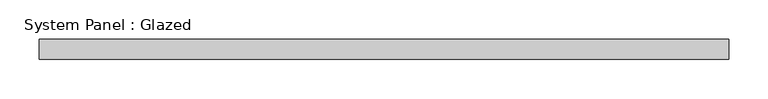
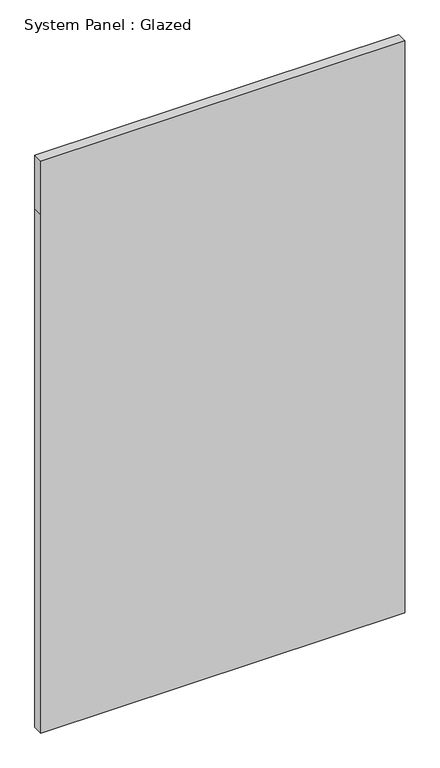
"""IFC4 building model written with IfcOpenShell, lengths in millimetres: plate geometry, System Panel : Glazed."""

from ifc_helpers import new_model, si_unit, frame, origin, place, context, project, spatial, polyline, outline, extrude, source, transform, mapped, element, save


def system_panel_glazed_1732d7db(model_context):
    return source(origin(), model_context, "Body", "SweptSolid", [
        extrude(outline(polyline([(0.0, -436.6666667), (0.0, 436.6666667), (1315.0, 436.6666667), (1450.0, 436.6666667), (1450.0, -436.6666667), (1315.0, -436.6666667), (0.0, -436.6666667)])), frame((0.0, -49.5, 0.0), z_axis=(0.0, 1.0, 0.0), x_axis=(0.0, 0.0, 1.0)), (0.0, 0.0, 1.0), 25.0),
    ])


if __name__ == "__main__":
    model = new_model("IFC4")
    model_context = context("Model", 3, world=origin())
    ifc_project = project(units=[si_unit("LENGTHUNIT", "METRE", prefix="MILLI")], contexts=[model_context])
    site = spatial("IfcSite", under=ifc_project)
    building = spatial("IfcBuilding", under=site)
    placement = place(None, origin())
    system_panel_glazed_shape = system_panel_glazed_1732d7db(model_context)
    element("IfcPlate", 1, ObjectType="System Panel : Glazed", at=placement, inside=building, context=model_context, shape_type="MappedRepresentation", body=[
        mapped(system_panel_glazed_shape, transform((0.0, 0.0, 0.0), x_axis=(1.0, 0.0, 0.0), y_axis=(0.0, 1.0, 0.0), z_axis=(0.0, 0.0, 1.0))),
    ])
    save(model, "model.ifc")
